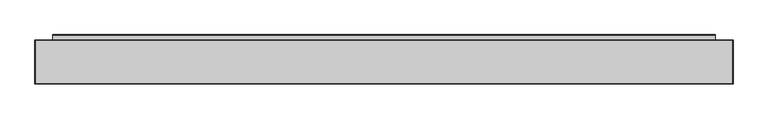
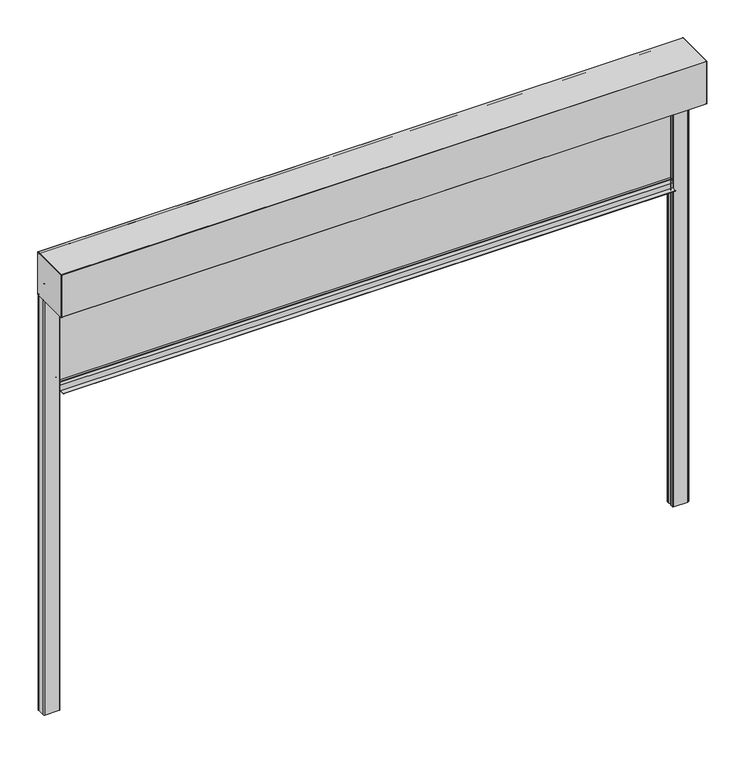
"""IFC4 building model written with IfcOpenShell, lengths in millimetres: alarm geometry."""

from ifc_helpers import new_model, si_unit, point, frame, frame_2d, origin, place, context, project, spatial, polyline, circle_curve, trimmed, segment, composite_curve, outline, extrude, source, transform, mapped, element, save
from ifc_brep_helpers import plane_surface, cylinder_surface, revolved_surface, advanced_brep


def alarm_6c2b27bb(model_context):
    return source(origin(), model_context, "Body", "SolidModel", [
        extrude(outline(composite_curve([segment(polyline([(32.3130377, -455.0), (67.6869623, -455.0)]), True, "CONTINUOUS"), segment(trimmed(circle_curve(frame_2d((67.6869623, -457.0)), 2.0), [point((67.6869623, -455.0))], [point((69.5220736, -456.2047851))], False, "CARTESIAN"), True, "CONTINUOUS"), segment(polyline([(69.5220736, -456.2047851), (75.5, -470.0), (75.5, -498.0), (98.5, -498.0)]), True, "CONTINUOUS"), segment(trimmed(circle_curve(frame_2d((98.5, -499.0)), 1.0), [point((98.5, -498.0))], [point((98.5, -500.0))], False, "CARTESIAN"), True, "CONTINUOUS"), segment(polyline([(98.5, -500.0), (1.5, -500.0)]), True, "CONTINUOUS"), segment(trimmed(circle_curve(frame_2d((1.5, -499.0)), 1.0), [point((1.5, -500.0))], [point((1.5, -498.0))], False, "CARTESIAN"), True, "CONTINUOUS"), segment(polyline([(1.5, -498.0), (24.5, -498.0), (24.5, -470.0), (30.4779264, -456.2047851)]), True, "CONTINUOUS"), segment(trimmed(circle_curve(frame_2d((32.3130377, -457.0)), 2.0), [point((30.4779264, -456.2047851))], [point((32.3130377, -455.0))], False, "CARTESIAN"), True, "CONTINUOUS")], self_intersect=False)), frame((-1500.0, 0.0, 0.0), z_axis=(1.0, 0.0, 0.0), x_axis=(0.0, 1.0, 0.0)), (0.0, 0.0, 1.0), 3000.0),
        extrude(outline(polyline([(1500.0, 42.5), (-1500.0, 42.5), (-1500.0, 57.5), (1500.0, 57.5), (1500.0, 42.5)])), frame((0.0, 0.0, -455.0), z_axis=(0.0, 0.0, 1.0), x_axis=(1.0, 0.0, 0.0)), (0.0, 0.0, 1.0), 465.0),
        extrude(outline(composite_curve([segment(polyline([(-125.0, 1.0), (-125.0, 219.0)]), True, "CONTINUOUS"), segment(trimmed(circle_curve(frame_2d((-124.0, 219.0)), 1.0), [point((-125.0, 219.0))], [point((-124.0, 220.0))], False, "CARTESIAN"), True, "CONTINUOUS"), segment(polyline([(-124.0, 220.0), (74.0, 220.0)]), True, "CONTINUOUS"), segment(trimmed(circle_curve(frame_2d((74.0, 219.0)), 1.0), [point((74.0, 220.0))], [point((75.0, 219.0))], False, "CARTESIAN"), True, "CONTINUOUS"), segment(polyline([(75.0, 219.0), (75.0, 1.5)]), True, "CONTINUOUS"), segment(trimmed(circle_curve(frame_2d((73.5, 1.5)), 1.5), [point((75.0, 1.5))], [point((73.5, 0.0))], False, "CARTESIAN"), True, "CONTINUOUS"), segment(polyline([(73.5, 0.0), (-124.0, 0.0)]), True, "CONTINUOUS"), segment(trimmed(circle_curve(frame_2d((-124.0, 1.0)), 1.0), [point((-124.0, 0.0))], [point((-125.0, 1.0))], False, "CARTESIAN"), True, "CONTINUOUS")], self_intersect=False)), frame((1580.0, 0.0, 0.0), z_axis=(1.0, 0.0, 0.0), x_axis=(0.0, 1.0, 0.0)), (0.0, 0.0, 1.0), 1.0),
        extrude(outline(composite_curve([segment(polyline([(-125.0, 1.0), (-125.0, 219.0)]), True, "CONTINUOUS"), segment(trimmed(circle_curve(frame_2d((-124.0, 219.0)), 1.0), [point((-125.0, 219.0))], [point((-124.0, 220.0))], False, "CARTESIAN"), True, "CONTINUOUS"), segment(polyline([(-124.0, 220.0), (74.0, 220.0)]), True, "CONTINUOUS"), segment(trimmed(circle_curve(frame_2d((74.0, 219.0)), 1.0), [point((74.0, 220.0))], [point((75.0, 219.0))], False, "CARTESIAN"), True, "CONTINUOUS"), segment(polyline([(75.0, 219.0), (75.0, 1.5)]), True, "CONTINUOUS"), segment(trimmed(circle_curve(frame_2d((73.5, 1.5)), 1.5), [point((75.0, 1.5))], [point((73.5, 0.0))], False, "CARTESIAN"), True, "CONTINUOUS"), segment(polyline([(73.5, 0.0), (-124.0, 0.0)]), True, "CONTINUOUS"), segment(trimmed(circle_curve(frame_2d((-124.0, 1.0)), 1.0), [point((-124.0, 0.0))], [point((-125.0, 1.0))], False, "CARTESIAN"), True, "CONTINUOUS")], self_intersect=False)), frame((-1581.0, 0.0, 0.0), z_axis=(1.0, 0.0, 0.0), x_axis=(0.0, 1.0, 0.0)), (0.0, 0.0, 1.0), 1.0),
        extrude(outline(composite_curve([segment(polyline([(1500.0, 30.0), (1500.0, 41.5)]), True, "CONTINUOUS"), segment(trimmed(circle_curve(frame_2d((1504.0, 41.5)), 4.0), [point((1500.0, 41.5))], [point((1507.7587705, 42.8680806))], False, "CARTESIAN"), True, "CONTINUOUS"), segment(polyline([(1507.7587705, 42.8680806), (1509.313694, 34.049671), (1507.3440785, 33.7023747), (1505.8248093, 42.3185788)]), True, "CONTINUOUS"), segment(trimmed(circle_curve(frame_2d((1504.0, 41.5)), 2.0), [point((1505.8248093, 42.3185788))], [point((1502.0, 41.5))], True, "CARTESIAN"), True, "CONTINUOUS"), segment(polyline([(1502.0, 41.5), (1502.0, 30.0)]), True, "CONTINUOUS"), segment(trimmed(circle_curve(frame_2d((1505.0, 30.0)), 3.0), [point((1502.0, 30.0))], [point((1505.0, 27.0))], True, "CARTESIAN"), True, "CONTINUOUS"), segment(polyline([(1505.0, 27.0), (1575.0, 27.0)]), True, "CONTINUOUS"), segment(trimmed(circle_curve(frame_2d((1575.0, 30.0)), 3.0), [point((1575.0, 27.0))], [point((1578.0, 30.0))], True, "CARTESIAN"), True, "CONTINUOUS"), segment(polyline([(1578.0, 30.0), (1578.0, 70.0)]), True, "CONTINUOUS"), segment(trimmed(circle_curve(frame_2d((1575.0, 70.0)), 3.0), [point((1578.0, 70.0))], [point((1575.0, 73.0))], True, "CARTESIAN"), True, "CONTINUOUS"), segment(polyline([(1575.0, 73.0), (1505.0, 73.0)]), True, "CONTINUOUS"), segment(trimmed(circle_curve(frame_2d((1505.0, 70.0)), 3.0), [point((1505.0, 73.0))], [point((1502.0, 70.0))], True, "CARTESIAN"), True, "CONTINUOUS"), segment(polyline([(1502.0, 70.0), (1502.0, 58.5)]), True, "CONTINUOUS"), segment(trimmed(circle_curve(frame_2d((1504.0, 58.5)), 2.0), [point((1502.0, 58.5))], [point((1505.8248093, 57.6814212))], True, "CARTESIAN"), True, "CONTINUOUS"), segment(polyline([(1505.8248093, 57.6814212), (1507.3440785, 66.2976253), (1509.313694, 65.950329), (1507.7587705, 57.1319194)]), True, "CONTINUOUS"), segment(trimmed(circle_curve(frame_2d((1504.0, 58.5)), 4.0), [point((1507.7587705, 57.1319194))], [point((1500.0, 58.5))], False, "CARTESIAN"), True, "CONTINUOUS"), segment(polyline([(1500.0, 58.5), (1500.0, 70.0)]), True, "CONTINUOUS"), segment(trimmed(circle_curve(frame_2d((1505.0, 70.0)), 5.0), [point((1500.0, 70.0))], [point((1505.0, 75.0))], False, "CARTESIAN"), True, "CONTINUOUS"), segment(polyline([(1505.0, 75.0), (1575.0, 75.0)]), True, "CONTINUOUS"), segment(trimmed(circle_curve(frame_2d((1575.0, 70.0)), 5.0), [point((1575.0, 75.0))], [point((1580.0, 70.0))], False, "CARTESIAN"), True, "CONTINUOUS"), segment(polyline([(1580.0, 70.0), (1580.0, 30.0)]), True, "CONTINUOUS"), segment(trimmed(circle_curve(frame_2d((1575.0, 30.0)), 5.0), [point((1580.0, 30.0))], [point((1575.0, 25.0))], False, "CARTESIAN"), True, "CONTINUOUS"), segment(polyline([(1575.0, 25.0), (1505.0, 25.0)]), True, "CONTINUOUS"), segment(trimmed(circle_curve(frame_2d((1505.0, 30.0)), 5.0), [point((1505.0, 25.0))], [point((1500.0, 30.0))], False, "CARTESIAN"), True, "CONTINUOUS")], self_intersect=False)), frame((0.0, 0.0, -2150.0), z_axis=(0.0, 0.0, 1.0), x_axis=(1.0, 0.0, 0.0)), (0.0, 0.0, 1.0), 2150.0),
        extrude(outline(composite_curve([segment(trimmed(circle_curve(frame_2d((-1505.0, 30.0)), 5.0), [point((-1500.0, 30.0))], [point((-1505.0, 25.0))], False, "CARTESIAN"), True, "CONTINUOUS"), segment(polyline([(-1505.0, 25.0), (-1575.0, 25.0)]), True, "CONTINUOUS"), segment(trimmed(circle_curve(frame_2d((-1575.0, 30.0)), 5.0), [point((-1575.0, 25.0))], [point((-1580.0, 30.0))], False, "CARTESIAN"), True, "CONTINUOUS"), segment(polyline([(-1580.0, 30.0), (-1580.0, 70.0)]), True, "CONTINUOUS"), segment(trimmed(circle_curve(frame_2d((-1575.0, 70.0)), 5.0), [point((-1580.0, 70.0))], [point((-1575.0, 75.0))], False, "CARTESIAN"), True, "CONTINUOUS"), segment(polyline([(-1575.0, 75.0), (-1505.0, 75.0)]), True, "CONTINUOUS"), segment(trimmed(circle_curve(frame_2d((-1505.0, 70.0)), 5.0), [point((-1505.0, 75.0))], [point((-1500.0, 70.0))], False, "CARTESIAN"), True, "CONTINUOUS"), segment(polyline([(-1500.0, 70.0), (-1500.0, 58.5)]), True, "CONTINUOUS"), segment(trimmed(circle_curve(frame_2d((-1504.0, 58.5)), 4.0), [point((-1500.0, 58.5))], [point((-1507.7587705, 57.1319194))], False, "CARTESIAN"), True, "CONTINUOUS"), segment(polyline([(-1507.7587705, 57.1319194), (-1509.313694, 65.950329), (-1507.3440785, 66.2976253), (-1505.8248093, 57.6814212)]), True, "CONTINUOUS"), segment(trimmed(circle_curve(frame_2d((-1504.0, 58.5)), 2.0), [point((-1505.8248093, 57.6814212))], [point((-1502.0, 58.5))], True, "CARTESIAN"), True, "CONTINUOUS"), segment(polyline([(-1502.0, 58.5), (-1502.0, 70.0)]), True, "CONTINUOUS"), segment(trimmed(circle_curve(frame_2d((-1505.0, 70.0)), 3.0), [point((-1502.0, 70.0))], [point((-1505.0, 73.0))], True, "CARTESIAN"), True, "CONTINUOUS"), segment(polyline([(-1505.0, 73.0), (-1575.0, 73.0)]), True, "CONTINUOUS"), segment(trimmed(circle_curve(frame_2d((-1575.0, 70.0)), 3.0), [point((-1575.0, 73.0))], [point((-1578.0, 70.0))], True, "CARTESIAN"), True, "CONTINUOUS"), segment(polyline([(-1578.0, 70.0), (-1578.0, 30.0)]), True, "CONTINUOUS"), segment(trimmed(circle_curve(frame_2d((-1575.0, 30.0)), 3.0), [point((-1578.0, 30.0))], [point((-1575.0, 27.0))], True, "CARTESIAN"), True, "CONTINUOUS"), segment(polyline([(-1575.0, 27.0), (-1505.0, 27.0)]), True, "CONTINUOUS"), segment(trimmed(circle_curve(frame_2d((-1505.0, 30.0)), 3.0), [point((-1505.0, 27.0))], [point((-1502.0, 30.0))], True, "CARTESIAN"), True, "CONTINUOUS"), segment(polyline([(-1502.0, 30.0), (-1502.0, 41.5)]), True, "CONTINUOUS"), segment(trimmed(circle_curve(frame_2d((-1504.0, 41.5)), 2.0), [point((-1502.0, 41.5))], [point((-1505.8248093, 42.3185788))], True, "CARTESIAN"), True, "CONTINUOUS"), segment(polyline([(-1505.8248093, 42.3185788), (-1507.3440785, 33.7023747), (-1509.313694, 34.049671), (-1507.7587705, 42.8680806)]), True, "CONTINUOUS"), segment(trimmed(circle_curve(frame_2d((-1504.0, 41.5)), 4.0), [point((-1507.7587705, 42.8680806))], [point((-1500.0, 41.5))], False, "CARTESIAN"), True, "CONTINUOUS"), segment(polyline([(-1500.0, 41.5), (-1500.0, 30.0)]), True, "CONTINUOUS")], self_intersect=False)), frame((0.0, 0.0, -2150.0), z_axis=(0.0, 0.0, 1.0), x_axis=(1.0, 0.0, 0.0)), (0.0, 0.0, 1.0), 2150.0),
        advanced_brep(
        [(1580.0, 74.0, 220.0), (1580.0, -124.0, 220.0), (1580.0, -125.0, 219.0), (1580.0, -125.0, 1.0), (1580.0, -124.0, 0.0), (1580.0, 2.5525627, 0.0), (1580.0, 3.5525627, 1.0), (1580.0, 3.5525627, 25.0), (1580.0, 40.2346421, 81.9173889), (1580.0, 38.5535205, 85.0008329), (1580.0, 27.0535205, 85.0007974), (1580.0, 27.1842634, 82.0065058), (1580.0, 33.6652134, 82.5735356), (1580.0, 33.5780546, 83.56973), (1580.0, 27.0971045, 83.0027002), (1580.0, 27.0535236, 84.0007974), (1580.0, 38.5575262, 84.0008329), (1580.0, 39.6503781, 82.8567866), (1580.0, 2.5525627, 25.2943249), (1580.0, 2.5525627, 4.9975685), (1580.0, -118.4990953, 4.9975685), (1580.0, -118.4990953, 210.0001942), (1580.0, -114.4991113, 214.0001783), (1580.0, 64.4999422, 214.0001783), (1580.0, 68.5003406, 209.9997799), (1580.0, 68.5003406, 32.9978598), (1580.0, 71.0003714, 32.9978598), (1580.0, 71.0003714, 19.9978095), (1580.0, 74.0003573, 19.9978095), (1580.0, 74.0003573, 1.3255837), (1580.0, 73.0249422, 1.1710911), (1580.0, 63.1362847, 31.6048165), (1580.0, 62.1852498, 31.2958032), (1580.0, 72.0225757, 1.0199506), (1580.0, 75.0, 1.5), (1580.0, 75.0, 219.0), (-1580.0, 74.0, 220.0), (-1580.0, 75.0, 219.0), (-1580.0, 75.0, 1.5), (-1580.0, 72.0734167, 1.03647), (-1580.0, 62.1852498, 31.2958032), (-1580.0, 63.1362847, 31.6048165), (-1580.0, 73.0249422, 1.1710911), (-1580.0, 74.0003573, 1.3255837), (-1580.0, 74.0003573, 19.9978095), (-1580.0, 71.0003714, 19.9978095), (-1580.0, 71.0003714, 32.9978598), (-1580.0, 68.5003406, 32.9978598), (-1580.0, 68.5003406, 209.9997799), (-1580.0, 64.4999422, 214.0001783), (-1580.0, -114.4991113, 214.0001783), (-1580.0, -118.4990953, 210.0001942), (-1580.0, -118.4990953, 4.9975685), (-1580.0, 2.5525627, 4.9975685), (-1580.0, 2.5525627, 25.2943249), (-1580.0, 39.6503781, 82.8567866), (-1580.0, 38.5575262, 84.0008329), (-1580.0, 27.0535236, 84.0007974), (-1580.0, 27.0971045, 83.0027002), (-1580.0, 33.5780546, 83.56973), (-1580.0, 33.6652134, 82.5735356), (-1580.0, 27.1842634, 82.0065058), (-1580.0, 27.0535205, 85.0007974), (-1580.0, 38.5535205, 85.0008329), (-1580.0, 40.2346421, 81.9173889), (-1580.0, 3.5525627, 25.0), (-1580.0, 3.5525627, 1.0), (-1580.0, 2.5525627, 0.0), (-1580.0, -124.0, 0.0), (-1580.0, -125.0, 1.0), (-1580.0, -125.0, 219.0), (-1580.0, -124.0, 220.0)],
        [
            (0, 1),
            (1, 2, circle_curve(frame((1580.0, -124.0, 219.0), z_axis=(1.0, 0.0, 0.0), x_axis=(0.0, 1.0, 0.0)), 1.0)),
            (2, 3),
            (3, 4, circle_curve(frame((1580.0, -124.0, 1.0), z_axis=(1.0, 0.0, 0.0), x_axis=(0.0, 1.0, 0.0)), 1.0)),
            (4, 5),
            (5, 6, circle_curve(frame((1580.0, 2.5525627, 1.0), z_axis=(1.0, 0.0, 0.0), x_axis=(0.0, 1.0, 0.0)), 1.0)),
            (6, 7),
            (7, 8),
            (8, 9, circle_curve(frame((1580.0, 38.5535267, 83.0008329), z_axis=(1.0, 0.0, 0.0), x_axis=(0.0, 1.0, 0.0)), 2.0)),
            (9, 10),
            (10, 11, circle_curve(frame((1580.0, 27.0535251, 83.5007974), z_axis=(1.0, 0.0, 0.0), x_axis=(0.0, 1.0, 0.0)), 1.5)),
            (11, 12),
            (12, 13),
            (13, 14),
            (14, 15, circle_curve(frame((1580.0, 27.0535251, 83.5007974), z_axis=(-1.0, 0.0, 0.0), x_axis=(0.0, 1.0, 0.0)), 0.5)),
            (15, 16),
            (16, 17, circle_curve(frame((1580.0, 38.5575296, 82.9068388), z_axis=(-1.0, 0.0, 0.0), x_axis=(0.0, 1.0, 0.0)), 1.0939941)),
            (17, 18),
            (18, 19),
            (19, 20),
            (20, 21),
            (21, 22, circle_curve(frame((1580.0, -114.4991113, 210.0001942), z_axis=(-1.0, 0.0, 0.0), x_axis=(0.0, 1.0, 0.0)), 3.9999841)),
            (22, 23),
            (23, 24, circle_curve(frame((1580.0, 64.4999422, 209.9997799), z_axis=(-1.0, 0.0, 0.0), x_axis=(0.0, 1.0, 0.0)), 4.0003984)),
            (24, 25),
            (25, 26),
            (26, 27),
            (27, 28),
            (28, 29),
            (29, 30, circle_curve(frame((1580.0, 73.500415, 1.3255837), z_axis=(-1.0, 0.0, 0.0), x_axis=(0.0, 1.0, 0.0)), 0.4999423)),
            (30, 31),
            (31, 32),
            (32, 33),
            (33, 34, circle_curve(frame((1580.0, 73.5, 1.5), z_axis=(1.0, 0.0, 0.0), x_axis=(0.0, 1.0, 0.0)), 1.5)),
            (34, 35),
            (35, 0, circle_curve(frame((1580.0, 74.0, 219.0), z_axis=(1.0, 0.0, 0.0), x_axis=(0.0, 1.0, 0.0)), 1.0)),
            (36, 37, circle_curve(frame((-1580.0, 74.0, 219.0), z_axis=(-1.0, 0.0, 0.0), x_axis=(0.0, 1.0, 0.0)), 1.0)),
            (37, 38),
            (38, 39, circle_curve(frame((-1580.0, 73.5, 1.5), z_axis=(-1.0, 0.0, 0.0), x_axis=(0.0, 1.0, 0.0)), 1.5)),
            (39, 40),
            (40, 41),
            (41, 42),
            (42, 43, circle_curve(frame((-1580.0, 73.500415, 1.3255837), z_axis=(1.0, 0.0, 0.0), x_axis=(0.0, 1.0, 0.0)), 0.4999423)),
            (43, 44),
            (44, 45),
            (45, 46),
            (46, 47),
            (47, 48),
            (48, 49, circle_curve(frame((-1580.0, 64.4999422, 209.9997799), z_axis=(1.0, 0.0, 0.0), x_axis=(0.0, 1.0, 0.0)), 4.0003984)),
            (49, 50),
            (50, 51, circle_curve(frame((-1580.0, -114.4991113, 210.0001942), z_axis=(1.0, 0.0, 0.0), x_axis=(0.0, 1.0, 0.0)), 3.9999841)),
            (51, 52),
            (52, 53),
            (53, 54),
            (54, 55),
            (55, 56, circle_curve(frame((-1580.0, 38.5575296, 82.9068388), z_axis=(1.0, 0.0, 0.0), x_axis=(0.0, 1.0, 0.0)), 1.0939941)),
            (56, 57),
            (57, 58, circle_curve(frame((-1580.0, 27.0535251, 83.5007974), z_axis=(1.0, 0.0, 0.0), x_axis=(0.0, 1.0, 0.0)), 0.5)),
            (58, 59),
            (59, 60),
            (60, 61),
            (61, 62, circle_curve(frame((-1580.0, 27.0535251, 83.5007974), z_axis=(-1.0, 0.0, 0.0), x_axis=(0.0, 1.0, 0.0)), 1.5)),
            (62, 63),
            (63, 64, circle_curve(frame((-1580.0, 38.5535267, 83.0008329), z_axis=(-1.0, 0.0, 0.0), x_axis=(0.0, 1.0, 0.0)), 2.0)),
            (64, 65),
            (65, 66),
            (66, 67, circle_curve(frame((-1580.0, 2.5525627, 1.0), z_axis=(-1.0, 0.0, 0.0), x_axis=(0.0, 1.0, 0.0)), 1.0)),
            (67, 68),
            (68, 69, circle_curve(frame((-1580.0, -124.0, 1.0), z_axis=(-1.0, 0.0, 0.0), x_axis=(0.0, 1.0, 0.0)), 1.0)),
            (69, 70),
            (70, 71, circle_curve(frame((-1580.0, -124.0, 219.0), z_axis=(-1.0, 0.0, 0.0), x_axis=(0.0, 1.0, 0.0)), 1.0)),
            (71, 36),
            (0, 36),
            (71, 1),
            (70, 2),
            (69, 3),
            (68, 4),
            (67, 5),
            (19, 53),
            (52, 20),
            (51, 21),
            (50, 22),
            (49, 23),
            (48, 24),
            (47, 25),
            (46, 26),
            (45, 27),
            (44, 28),
            (43, 29),
            (42, 30),
            (41, 31),
            (40, 32),
            (39, 33),
            (38, 34),
            (37, 35),
            (66, 6),
            (65, 7),
            (64, 8),
            (63, 9),
            (62, 10),
            (61, 11),
            (60, 12),
            (59, 13),
            (58, 14),
            (57, 15),
            (56, 16),
            (55, 17),
            (54, 18),
        ],
        [
            plane_surface(frame((1580.0, -124.0, 220.0), z_axis=(1.0, 0.0, 0.0), x_axis=(0.0, -1.0, 0.0))),
            plane_surface(frame((-1580.0, -124.0, 220.0), z_axis=(-1.0, 0.0, 0.0), x_axis=(0.0, 1.0, 0.0))),
            plane_surface(frame((1580.0, 74.0, 220.0), z_axis=(0.0, 0.0, 1.0), x_axis=(-1.0, 0.0, 0.0))),
            cylinder_surface(frame((-1580.0, -124.0, 219.0), z_axis=(1.0, 0.0, 0.0), x_axis=(0.0, 1.0, 0.0)), 1.0),
            plane_surface(frame((1580.0, -125.0, 219.0), z_axis=(0.0, -1.0, 0.0), x_axis=(-1.0, 0.0, 0.0))),
            cylinder_surface(frame((-1580.0, -124.0, 1.0), z_axis=(1.0, 0.0, 0.0), x_axis=(0.0, 1.0, 0.0)), 1.0),
            plane_surface(frame((1580.0, -124.0, 0.0), z_axis=(0.0, 0.0, -1.0), x_axis=(-1.0, 0.0, 0.0))),
            plane_surface(frame((1580.0, 2.5525627, 4.9975685), z_axis=(0.0, 0.0, 1.0), x_axis=(-1.0, 0.0, 0.0))),
            plane_surface(frame((1580.0, -118.4990953, 4.9975685), z_axis=(0.0, 1.0, 0.0), x_axis=(-1.0, 0.0, 0.0))),
            revolved_surface(polyline([(-1580.0, -110.49912719999999, 210.0001942), (1580.0, -110.49912719999999, 210.0001942)]), (-1580.0, -114.4991113, 210.0001942), (-1.0, 0.0, 0.0)),
            plane_surface(frame((1580.0, -114.4991113, 214.0001783), z_axis=(0.0, 0.0, -1.0), x_axis=(-1.0, 0.0, 0.0))),
            revolved_surface(polyline([(-1580.0, 68.5003406, 209.9997799), (1580.0, 68.5003406, 209.9997799)]), (-1580.0, 64.4999422, 209.9997799), (-1.0, 0.0, 0.0)),
            plane_surface(frame((1580.0, 68.5003406, 209.9997799), z_axis=(0.0, -1.0, 0.0), x_axis=(-1.0, 0.0, 0.0))),
            plane_surface(frame((1580.0, 68.5003406, 32.9978598), z_axis=(0.0, 0.0, -1.0), x_axis=(-1.0, 0.0, 0.0))),
            plane_surface(frame((1580.0, 71.0003714, 32.9978598), z_axis=(0.0, -1.0, 0.0), x_axis=(-1.0, 0.0, 0.0))),
            plane_surface(frame((1580.0, 71.0003714, 19.9978095), z_axis=(0.0, 0.0, -1.0), x_axis=(-1.0, 0.0, 0.0))),
            plane_surface(frame((1580.0, 74.0003573, 19.9978095), z_axis=(0.0, -1.0, -1.2844647031399892e-12), x_axis=(-1.0, 0.0, 0.0))),
            revolved_surface(polyline([(-1580.0, 74.0003573, 1.3255837), (1580.0, 74.0003573, 1.3255837)]), (-1580.0, 73.500415, 1.3255837), (-1.0, 0.0, 0.0)),
            plane_surface(frame((1580.0, 73.0249422, 1.1710911), z_axis=(0.0, 0.9510552244543146, 0.3090209702239532), x_axis=(-1.0, 0.0, 0.0))),
            plane_surface(frame((1580.0, 63.1362847, 31.6048165), z_axis=(0.0, -0.3090199811024944, 0.9510555458433614), x_axis=(-1.0, 0.0, 0.0))),
            plane_surface(frame((1580.0, 62.1852498, 31.2958032), z_axis=(0.0, -0.9510555458434065, -0.3090199811023557), x_axis=(-1.0, 0.0, 0.0))),
            cylinder_surface(frame((-1580.0, 73.5, 1.5), z_axis=(1.0, 0.0, 0.0), x_axis=(0.0, 1.0, 0.0)), 1.5),
            plane_surface(frame((1580.0, 75.0, 1.5), z_axis=(0.0, 1.0, 0.0), x_axis=(-1.0, 0.0, 0.0))),
            cylinder_surface(frame((-1580.0, 74.0, 219.0), z_axis=(1.0, 0.0, 0.0), x_axis=(0.0, 1.0, 0.0)), 1.0),
            cylinder_surface(frame((-1580.0, 2.5525627, 1.0), z_axis=(1.0, 0.0, 0.0), x_axis=(0.0, 1.0, 0.0)), 1.0),
            plane_surface(frame((1580.0, 3.5525627, 1.0), z_axis=(0.0, 1.0, 0.0), x_axis=(-1.0, 0.0, 0.0))),
            plane_surface(frame((1580.0, 3.5525627, 25.0), z_axis=(0.0, 0.8405576917101389, -0.5417220384172339), x_axis=(-1.0, 0.0, 0.0))),
            cylinder_surface(frame((-1580.0, 38.5535267, 83.0008329), z_axis=(1.0, 0.0, 0.0), x_axis=(0.0, 1.0, 0.0)), 2.0),
            plane_surface(frame((1580.0, 38.5535205, 85.0008329), z_axis=(0.0, -3.0882118477456717e-06, 0.9999999999952316), x_axis=(-1.0, 0.0, 0.0))),
            cylinder_surface(frame((-1580.0, 27.0535251, 83.5007974), z_axis=(1.0, 0.0, 0.0), x_axis=(0.0, 1.0, 0.0)), 1.5),
            plane_surface(frame((1580.0, 27.1842634, 82.0065058), z_axis=(0.0, 0.08715881898961188, -0.9961944289506623), x_axis=(-1.0, 0.0, 0.0))),
            plane_surface(frame((1580.0, 33.6652134, 82.5735356), z_axis=(0.0, 0.9961944289500922, 0.08715881899612789), x_axis=(-1.0, 0.0, 0.0))),
            plane_surface(frame((1580.0, 33.5780546, 83.56973), z_axis=(0.0, -0.08715881900500692, 0.9961944289493153), x_axis=(-1.0, 0.0, 0.0))),
            revolved_surface(polyline([(-1580.0, 27.5535251, 83.5007974), (1580.0, 27.5535251, 83.5007974)]), (-1580.0, 27.0535251, 83.5007974), (-1.0, 0.0, 0.0)),
            plane_surface(frame((1580.0, 27.0535236, 84.0007974), z_axis=(0.0, 3.087215186526125e-06, -0.9999999999952346), x_axis=(-1.0, 0.0, 0.0))),
            revolved_surface(polyline([(-1580.0, 39.651523700000006, 82.9068388), (1580.0, 39.651523700000006, 82.9068388)]), (-1580.0, 38.5575296, 82.9068388), (-1.0, 0.0, 0.0)),
            plane_surface(frame((1580.0, 39.6503781, 82.8567866), z_axis=(0.0, -0.8405576917101341, 0.5417220384172414), x_axis=(-1.0, 0.0, 0.0))),
            plane_surface(frame((1580.0, 2.5525627, 25.2943249), z_axis=(0.0, -1.0, 0.0), x_axis=(-1.0, 0.0, 0.0))),
        ],
        [
            (0, [[1, 2, 3, 4, 5, 6, 7, 8, 9, 10, 11, 12, 13, 14, 15, 16, 17, 18, 19, 20, 21, 22, 23, 24, 25, 26, 27, 28, 29, 30, 31, 32, 33, 34, 35, 36]]),
            (1, [[37, 38, 39, 40, 41, 42, 43, 44, 45, 46, 47, 48, 49, 50, 51, 52, 53, 54, 55, 56, 57, 58, 59, 60, 61, 62, 63, 64, 65, 66, 67, 68, 69, 70, 71, 72]]),
            (2, [[-1, 73, -72, 74]]),
            (3, [[-2, -74, -71, 75]]),
            (4, [[-3, -75, -70, 76]]),
            (5, [[-4, -76, -69, 77]]),
            (6, [[-5, -77, -68, 78]]),
            (7, [[-20, 79, -53, 80]]),
            (8, [[-21, -80, -52, 81]]),
            (9, [[-22, -81, -51, 82]]),
            (10, [[-23, -82, -50, 83]]),
            (11, [[-24, -83, -49, 84]]),
            (12, [[-25, -84, -48, 85]]),
            (13, [[-26, -85, -47, 86]]),
            (14, [[-27, -86, -46, 87]]),
            (15, [[-28, -87, -45, 88]]),
            (16, [[-29, -88, -44, 89]]),
            (17, [[-30, -89, -43, 90]]),
            (18, [[-31, -90, -42, 91]]),
            (19, [[-32, -91, -41, 92]]),
            (20, [[-33, -92, -40, 93]]),
            (21, [[-34, -93, -39, 94]]),
            (22, [[-35, -94, -38, 95]]),
            (23, [[-36, -95, -37, -73]]),
            (24, [[-6, -78, -67, 96]]),
            (25, [[-7, -96, -66, 97]]),
            (26, [[-8, -97, -65, 98]]),
            (27, [[-9, -98, -64, 99]]),
            (28, [[-10, -99, -63, 100]]),
            (29, [[-11, -100, -62, 101]]),
            (30, [[-12, -101, -61, 102]]),
            (31, [[-13, -102, -60, 103]]),
            (32, [[-14, -103, -59, 104]]),
            (33, [[-15, -104, -58, 105]]),
            (34, [[-16, -105, -57, 106]]),
            (35, [[-17, -106, -56, 107]]),
            (36, [[-18, -107, -55, 108]]),
            (37, [[-19, -108, -54, -79]]),
        ],
    ),
    ])


if __name__ == "__main__":
    model = new_model("IFC4")
    model_context = context("Model", 3, world=origin())
    ifc_project = project(units=[si_unit("LENGTHUNIT", "METRE", prefix="MILLI")], contexts=[model_context])
    site = spatial("IfcSite", under=ifc_project)
    building = spatial("IfcBuilding", under=site)
    placement = place(None, origin())
    alarm_shape = alarm_6c2b27bb(model_context)
    element("IfcAlarm", 1, at=placement, inside=building, context=model_context, shape_type="MappedRepresentation", body=[
        mapped(alarm_shape, transform((0.0, 0.0, 0.0), x_axis=(1.0, 0.0, 0.0), y_axis=(0.0, 1.0, 0.0), z_axis=(0.0, 0.0, 1.0))),
    ])
    save(model, "model.ifc")
